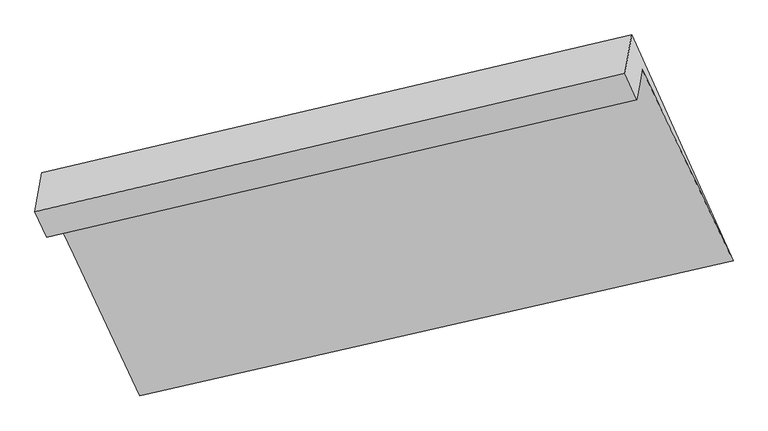
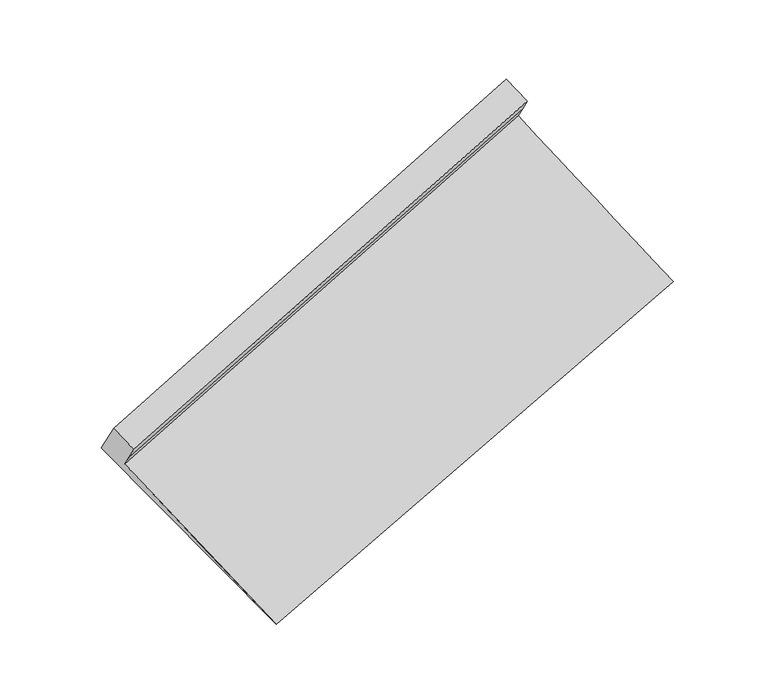
"""IFC4 building model written with IfcOpenShell, lengths in millimetres: proxy geometry."""

from ifc_helpers import new_model, si_unit, frame, origin, place, context, project, spatial, source, transform, mapped, element, save
from ifc_brep_helpers import plane_surface, spline_surface, advanced_brep


def generic_models_69dae58a(model_context):
    return source(origin(), model_context, "Body", "AdvancedBrep", [
        advanced_brep(
        [(-5231.5294696, -2001.9473322, 1532.7793489), (-5211.8498061, -1889.8451963, 1381.804283), (-688.9434093, -831.499642, 2822.0375525), (-709.1712844, -946.7245799, 2977.2182942), (-5192.1701425, -1777.7430605, 1230.8292171), (-668.7155341, -716.2747042, 2666.8568108), (-4517.8522583, -3214.9479102, 180.1937064), (26.9991111, -2181.3348211, 1569.0216332), (-5267.7351422, -1505.6736178, 1261.8608954), (-749.7142266, -451.9957023, 2721.4840527), (-5320.4871341, -1806.1671163, 1666.5545742), (-801.0618662, -744.4895274, 3115.4040632)],
        [
            (0, 1),
            (1, 2),
            (2, 3),
            (3, 0),
            (1, 4),
            (4, 5),
            (5, 2),
            (4, 6),
            (6, 7),
            (7, 5),
            (6, 8),
            (8, 9),
            (9, 7),
            (8, 10),
            (10, 11),
            (11, 9),
            (10, 0),
            (3, 11),
        ],
        [
            plane_surface(frame((-5221.6896379, -1945.8962643, 1457.291816), z_axis=(0.34938257247153437, -0.7735010889164209, -0.5287985282678882), x_axis=(0.10408638612684597, 0.592911873338566, -0.7985120754736309))),
            plane_surface(frame((-5202.0099743, -1833.7941284, 1306.31675), z_axis=(0.34938257247153526, -0.7735010889164169, -0.5287985282678935), x_axis=(0.10408638612684469, 0.5929118733385714, -0.798512075473627))),
            spline_surface(1, 1, [[(-5192.1701425, -1777.7430605, 1230.8292171), (-668.7155341, -716.2747042, 2666.8568108)], [(-4517.8522583, -3214.9479102, 180.1937064), (26.9991111, -2181.3348211, 1569.0216332)]], [2, 2], [2, 2], [0.0, 1.0], [0.0, 1.0]),
            spline_surface(1, 1, [[(-4517.8522583, -3214.9479102, 180.1937064), (26.9991111, -2181.3348211, 1569.0216332)], [(-5267.7351422, -1505.6736178, 1261.8608954), (-749.7142266, -451.9957023, 2721.4840527)]], [2, 2], [2, 2], [0.0, 1.0], [0.0, 1.0]),
            plane_surface(frame((-5294.1111382, -1655.920367, 1464.2077348), z_axis=(-0.3509809215231088, 0.7731154279501489, 0.5283038214817752), x_axis=(-0.10408638612684555, -0.5929118733385689, 0.7985120754736287))),
            plane_surface(frame((-5276.0083019, -1904.0572243, 1599.6669616), z_axis=(-0.11499096322602413, -0.5955155548435842, 0.795071256124688), x_axis=(0.351254344674255, -0.7730492010547889, -0.528219005807262))),
            plane_surface(frame((-580.33276, -1008.163867, 2609.9969708), z_axis=(0.9304764422437101, 0.22550042838697554, 0.28872676915516216), x_axis=(-0.10408638612684555, -0.5929118733385689, 0.7985120754736287))),
            plane_surface(frame((-5105.9548293, -2061.2958074, 1174.4435484), z_axis=(-0.9304764422437042, -0.22550042838698947, -0.2887267691551702), x_axis=(-0.3512543446742728, 0.7730492010547743, 0.5282190058072714))),
        ],
        [
            (0, [[1, 2, 3, 4]]),
            (1, [[5, 6, 7, -2]]),
            (2, [[8, 9, 10, -6]]),
            (3, [[11, 12, 13, -9]]),
            (4, [[14, 15, 16, -12]]),
            (5, [[17, -4, 18, -15]]),
            (6, [[-16, -18, -3, -7, -10, -13]]),
            (7, [[-17, -14, -11, -8, -5, -1]]),
        ],
    ),
    ])


if __name__ == "__main__":
    model = new_model("IFC4")
    model_context = context("Model", 3, world=origin())
    ifc_project = project(units=[si_unit("LENGTHUNIT", "METRE", prefix="MILLI")], contexts=[model_context])
    site = spatial("IfcSite", under=ifc_project)
    building = spatial("IfcBuilding", under=site)
    placement = place(None, origin())
    generic_models_shape = generic_models_69dae58a(model_context)
    element("IfcBuildingElementProxy", 1, Name="Generic Models", at=placement, inside=building, context=model_context, shape_type="MappedRepresentation", body=[
        mapped(generic_models_shape, transform((0.0, 0.0, 0.0), x_axis=(1.0, 0.0, 0.0), y_axis=(0.0, 1.0, 0.0), z_axis=(0.0, 0.0, 1.0))),
    ])
    save(model, "model.ifc")
